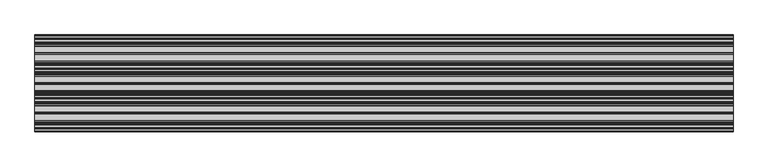
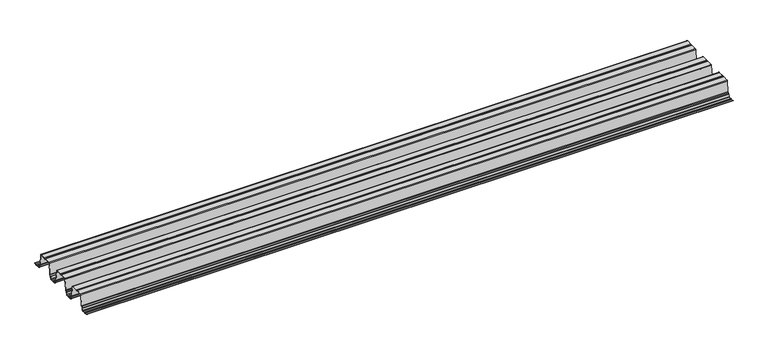
"""IFC4 building model written with IfcOpenShell, lengths in millimetres: proxy geometry."""

from ifc_helpers import new_model, si_unit, point, frame, frame_2d, origin, place, context, project, spatial, polyline, circle_curve, trimmed, segment, composite_curve, outline, extrude, source, transform, mapped, element, save


def generic_models_8106108e(model_context):
    return source(origin(), model_context, "Body", "SweptSolid", [
        extrude(outline(composite_curve([segment(trimmed(circle_curve(frame_2d((324.6441913, 113.8058949)), 3.6361245), [point((321.3795042, 112.204889))], [point((327.9088783, 112.204889))], True, "CARTESIAN"), True, "CONTINUOUS"), segment(trimmed(circle_curve(frame_2d((330.4708747, 110.9484833)), 2.8534857), [point((327.9088783, 112.204889))], [point((330.4708747, 113.801969))], False, "CARTESIAN"), True, "CONTINUOUS"), segment(polyline([(330.4708747, 113.801969), (373.4492703, 113.801969)]), True, "CONTINUOUS"), segment(trimmed(circle_curve(frame_2d((373.4492703, 109.0613218)), 4.7406472), [point((373.4492703, 113.801969))], [point((378.1008152, 109.9761257))], False, "CARTESIAN"), True, "CONTINUOUS"), segment(polyline([(378.1008152, 109.9761257), (386.0015759, 30.7769056)]), True, "CONTINUOUS"), segment(trimmed(circle_curve(frame_2d((391.2153598, 31.2970226)), 5.2396627), [point((386.0015759, 30.7769056))], [point((387.7190783, 27.394449))], True, "CARTESIAN"), True, "CONTINUOUS"), segment(polyline([(387.7190783, 27.394449), (394.9225297, 20.9409399)]), True, "CONTINUOUS"), segment(trimmed(circle_curve(frame_2d((391.7592274, 17.41004)), 4.7406472), [point((394.9225297, 20.9409399))], [point((396.4111087, 18.3231312))], False, "CARTESIAN"), True, "CONTINUOUS"), segment(polyline([(396.4111087, 18.3231312), (399.2223324, 5.0268078)]), True, "CONTINUOUS"), segment(trimmed(circle_curve(frame_2d((404.3631679, 6.0396627)), 5.2396627), [point((399.2223324, 5.0268078))], [point((404.3631679, 0.8))], True, "CARTESIAN"), True, "CONTINUOUS"), segment(polyline([(404.3631679, 0.8), (418.2385012, 0.8)]), True, "CONTINUOUS"), segment(trimmed(circle_curve(frame_2d((418.2385012, 3.6534857)), 2.8534857), [point((418.2385012, 0.8))], [point((420.8004976, 2.39708))], True, "CARTESIAN"), True, "CONTINUOUS"), segment(trimmed(circle_curve(frame_2d((424.0651846, 0.7960741)), 3.6361245), [point((420.8004976, 2.39708))], [point((427.4480898, 2.1292486))], False, "CARTESIAN"), True, "CONTINUOUS"), segment(trimmed(circle_curve(frame_2d((429.4296465, 2.9101634)), 2.1298815), [point((427.4480898, 2.1292486))], [point((429.1405005, 0.8))], True, "CARTESIAN"), True, "CONTINUOUS"), segment(polyline([(429.1405005, 0.8), (445.0579936, 0.8)]), True, "CONTINUOUS"), segment(trimmed(circle_curve(frame_2d((445.0579936, 6.0396627)), 5.2396627), [point((445.0579936, 0.8))], [point((450.1991748, 5.0285637))], True, "CARTESIAN"), True, "CONTINUOUS"), segment(polyline([(450.1991748, 5.0285637), (453.0103893, 19.3228748)]), True, "CONTINUOUS"), segment(trimmed(circle_curve(frame_2d((457.6619342, 18.408071)), 4.7406472), [point((453.0103893, 19.3228748))], [point((454.4986319, 21.9389709))], False, "CARTESIAN"), True, "CONTINUOUS"), segment(polyline([(454.4986319, 21.9389709), (461.7020833, 28.39248)]), True, "CONTINUOUS"), segment(trimmed(circle_curve(frame_2d((458.2058017, 32.2950536)), 5.2396627), [point((461.7020833, 28.39248))], [point((463.4195857, 31.7749366))], True, "CARTESIAN"), True, "CONTINUOUS"), segment(polyline([(463.4195857, 31.7749366), (471.3203464, 110.9741566)]), True, "CONTINUOUS"), segment(trimmed(circle_curve(frame_2d((475.9718912, 110.0593528)), 4.7406472), [point((471.3203464, 110.9741566))], [point((475.9718912, 114.8))], False, "CARTESIAN"), True, "CONTINUOUS"), segment(polyline([(475.9718912, 114.8), (519.1233624, 114.8)]), True, "CONTINUOUS"), segment(trimmed(circle_curve(frame_2d((519.4125084, 112.6898366)), 2.1298815), [point((519.1233624, 114.8))], [point((521.3940652, 113.4707514))], False, "CARTESIAN"), True, "CONTINUOUS"), segment(trimmed(circle_curve(frame_2d((524.7769703, 114.8039259)), 3.6361245), [point((521.3940652, 113.4707514))], [point((528.0416574, 113.20292))], True, "CARTESIAN"), True, "CONTINUOUS"), segment(trimmed(circle_curve(frame_2d((530.6036537, 111.9465143)), 2.8534857), [point((528.0416574, 113.20292))], [point((530.6036537, 114.8))], False, "CARTESIAN"), True, "CONTINUOUS"), segment(polyline([(530.6036537, 114.8), (573.289288, 114.8)]), True, "CONTINUOUS"), segment(trimmed(circle_curve(frame_2d((573.289288, 110.0593528)), 4.7406472), [point((573.289288, 114.8))], [point((577.9408329, 110.9741566))], False, "CARTESIAN"), True, "CONTINUOUS"), segment(polyline([(577.9408329, 110.9741566), (585.8415936, 31.7749366)]), True, "CONTINUOUS"), segment(trimmed(circle_curve(frame_2d((591.0553775, 32.2950536)), 5.2396627), [point((585.8415936, 31.7749366))], [point((587.559096, 28.39248))], True, "CARTESIAN"), True, "CONTINUOUS"), segment(polyline([(587.559096, 28.39248), (594.7625474, 21.9389709)]), True, "CONTINUOUS"), segment(trimmed(circle_curve(frame_2d((591.5992451, 18.408071)), 4.7406472), [point((594.7625474, 21.9389709))], [point((596.25079, 19.3228748))], False, "CARTESIAN"), True, "CONTINUOUS"), segment(polyline([(596.25079, 19.3228748), (599.0620045, 5.0285637)]), True, "CONTINUOUS"), segment(trimmed(circle_curve(frame_2d((604.2031856, 6.0396627)), 5.2396627), [point((599.0620045, 5.0285637))], [point((604.2031856, 0.8))], True, "CARTESIAN"), True, "CONTINUOUS"), segment(polyline([(604.2031856, 0.8), (620.1206788, 0.8)]), True, "CONTINUOUS"), segment(trimmed(circle_curve(frame_2d((619.8315328, 2.9101634)), 2.1298815), [point((620.1206788, 0.8))], [point((621.8130895, 2.1292486))], True, "CARTESIAN"), True, "CONTINUOUS"), segment(trimmed(circle_curve(frame_2d((625.1959947, 0.7960741)), 3.6361245), [point((621.8130895, 2.1292486))], [point((628.5788998, 2.1292486))], False, "CARTESIAN"), True, "CONTINUOUS"), segment(trimmed(circle_curve(frame_2d((630.5604565, 2.9101634)), 2.1298815), [point((628.5788998, 2.1292486))], [point((630.2713105, 0.8))], True, "CARTESIAN"), True, "CONTINUOUS"), segment(polyline([(630.2713105, 0.8), (644.1927417, 0.8)]), True, "CONTINUOUS"), segment(trimmed(circle_curve(frame_2d((644.1927417, 6.0396627)), 5.2396627), [point((644.1927417, 0.8))], [point((649.2883825, 4.8196179))], True, "CARTESIAN"), True, "CONTINUOUS"), segment(polyline([(649.2883825, 4.8196179), (650.0663931, 4.6333395)]), True, "CONTINUOUS"), segment(trimmed(circle_curve(frame_2d((644.1927417, 6.0396627)), 6.0396627), [point((650.0663931, 4.6333395))], [point((644.1927417, 0.0))], False, "CARTESIAN"), True, "CONTINUOUS"), segment(polyline([(644.1927417, 0.0), (630.2211126, 0.0)]), True, "CONTINUOUS"), segment(trimmed(circle_curve(frame_2d((630.5604565, 2.9101634)), 2.9298815), [point((630.2211126, 0.0))], [point((627.8346117, 1.8359309))], False, "CARTESIAN"), True, "CONTINUOUS"), segment(trimmed(circle_curve(frame_2d((625.1959947, 0.7960741)), 2.8361245), [point((627.8346117, 1.8359309))], [point((622.5573776, 1.8359309))], True, "CARTESIAN"), True, "CONTINUOUS"), segment(trimmed(circle_curve(frame_2d((619.8315328, 2.9101634)), 2.9298815), [point((622.5573776, 1.8359309))], [point((620.1708767, 0.0))], False, "CARTESIAN"), True, "CONTINUOUS"), segment(polyline([(620.1708767, 0.0), (604.2031856, 0.0)]), True, "CONTINUOUS"), segment(trimmed(circle_curve(frame_2d((604.2031856, 6.0396627)), 6.0396627), [point((604.2031856, 0.0))], [point((598.2770408, 4.8741875))], False, "CARTESIAN"), True, "CONTINUOUS"), segment(polyline([(598.2770408, 4.8741875), (595.4658263, 19.1684986)]), True, "CONTINUOUS"), segment(trimmed(circle_curve(frame_2d((591.5992451, 18.408071)), 3.9406472), [point((595.4658263, 19.1684986))], [point((594.2287296, 21.3431197))], True, "CARTESIAN"), True, "CONTINUOUS"), segment(polyline([(594.2287296, 21.3431197), (587.0252782, 27.7966289)]), True, "CONTINUOUS"), segment(trimmed(circle_curve(frame_2d((591.0553775, 32.2950536)), 6.0396627), [point((587.0252782, 27.7966289))], [point((585.0455448, 31.6955243))], False, "CARTESIAN"), True, "CONTINUOUS"), segment(polyline([(585.0455448, 31.6955243), (577.1487237, 110.8552525)]), True, "CONTINUOUS"), segment(trimmed(circle_curve(frame_2d((573.289288, 110.0593528)), 3.9406472), [point((577.1487237, 110.8552525))], [point((573.289288, 114.0))], True, "CARTESIAN"), True, "CONTINUOUS"), segment(polyline([(573.289288, 114.0), (530.6036537, 114.0)]), True, "CONTINUOUS"), segment(trimmed(circle_curve(frame_2d((530.6036537, 111.9465143)), 2.0534857), [point((530.6036537, 114.0))], [point((528.7599357, 112.8506755))], True, "CARTESIAN"), True, "CONTINUOUS"), segment(trimmed(circle_curve(frame_2d((524.7769703, 114.8039259)), 4.4361245), [point((528.7599357, 112.8506755))], [point((520.6497771, 113.1774338))], False, "CARTESIAN"), True, "CONTINUOUS"), segment(trimmed(circle_curve(frame_2d((519.4125084, 112.6898366)), 1.3298815), [point((520.6497771, 113.1774338))], [point((519.1843494, 114.0))], True, "CARTESIAN"), True, "CONTINUOUS"), segment(polyline([(519.1843494, 114.0), (475.9718912, 114.0)]), True, "CONTINUOUS"), segment(trimmed(circle_curve(frame_2d((475.9718912, 110.0593528)), 3.9406472), [point((475.9718912, 114.0))], [point((472.1124555, 110.8552525))], True, "CARTESIAN"), True, "CONTINUOUS"), segment(polyline([(472.1124555, 110.8552525), (464.2156345, 31.6955243)]), True, "CONTINUOUS"), segment(trimmed(circle_curve(frame_2d((458.2058017, 32.2950536)), 6.0396627), [point((464.2156345, 31.6955243))], [point((462.2359011, 27.7966289))], False, "CARTESIAN"), True, "CONTINUOUS"), segment(polyline([(462.2359011, 27.7966289), (455.0324497, 21.3431197)]), True, "CONTINUOUS"), segment(trimmed(circle_curve(frame_2d((457.6619342, 18.408071)), 3.9406472), [point((455.0324497, 21.3431197))], [point((453.795353, 19.1684986))], True, "CARTESIAN"), True, "CONTINUOUS"), segment(polyline([(453.795353, 19.1684986), (450.9841385, 4.8741875)]), True, "CONTINUOUS"), segment(trimmed(circle_curve(frame_2d((445.0579936, 6.0396627)), 6.0396627), [point((450.9841385, 4.8741875))], [point((445.0579936, 0.0))], False, "CARTESIAN"), True, "CONTINUOUS"), segment(polyline([(445.0579936, 0.0), (429.0903025, 0.0)]), True, "CONTINUOUS"), segment(trimmed(circle_curve(frame_2d((429.4296465, 2.9101634)), 2.9298815), [point((429.0903025, 0.0))], [point((426.7038017, 1.8359309))], False, "CARTESIAN"), True, "CONTINUOUS"), segment(trimmed(circle_curve(frame_2d((424.0651846, 0.7960741)), 2.8361245), [point((426.7038017, 1.8359309))], [point((421.518776, 2.0448356))], True, "CARTESIAN"), True, "CONTINUOUS"), segment(trimmed(circle_curve(frame_2d((418.2385012, 3.6534857)), 3.6534857), [point((421.518776, 2.0448356))], [point((418.2385012, 0.0))], False, "CARTESIAN"), True, "CONTINUOUS"), segment(polyline([(418.2385012, 0.0), (404.3631679, 0.0)]), True, "CONTINUOUS"), segment(trimmed(circle_curve(frame_2d((404.3631679, 6.0396627)), 6.0396627), [point((404.3631679, 0.0))], [point((398.4385315, 4.8665436))], False, "CARTESIAN"), True, "CONTINUOUS"), segment(polyline([(398.4385315, 4.8665436), (395.6271529, 18.1635996)]), True, "CONTINUOUS"), segment(trimmed(circle_curve(frame_2d((391.7592274, 17.41004)), 3.9406472), [point((395.6271529, 18.1635996))], [point((394.3887119, 20.3450888))], True, "CARTESIAN"), True, "CONTINUOUS"), segment(polyline([(394.3887119, 20.3450888), (387.1852605, 26.7985979)]), True, "CONTINUOUS"), segment(trimmed(circle_curve(frame_2d((391.2153598, 31.2970226)), 6.0396627), [point((387.1852605, 26.7985979))], [point((385.2055271, 30.6974933))], False, "CARTESIAN"), True, "CONTINUOUS"), segment(polyline([(385.2055271, 30.6974933), (377.308706, 109.8572215)]), True, "CONTINUOUS"), segment(trimmed(circle_curve(frame_2d((373.4492703, 109.0613218)), 3.9406472), [point((377.308706, 109.8572215))], [point((373.4492703, 113.001969))], True, "CARTESIAN"), True, "CONTINUOUS"), segment(polyline([(373.4492703, 113.001969), (330.4708747, 113.001969)]), True, "CONTINUOUS"), segment(trimmed(circle_curve(frame_2d((330.4708747, 110.9484833)), 2.0534857), [point((330.4708747, 113.001969))], [point((328.6271567, 111.8526445))], True, "CARTESIAN"), True, "CONTINUOUS"), segment(trimmed(circle_curve(frame_2d((324.6441913, 113.8058949)), 4.4361245), [point((328.6271567, 111.8526445))], [point((320.6612258, 111.8526445))], False, "CARTESIAN"), True, "CONTINUOUS"), segment(trimmed(circle_curve(frame_2d((318.8175079, 110.9484833)), 2.0534857), [point((320.6612258, 111.8526445))], [point((318.8175079, 113.001969))], True, "CARTESIAN"), True, "CONTINUOUS"), segment(polyline([(318.8175079, 113.001969), (275.8391122, 113.001969)]), True, "CONTINUOUS"), segment(trimmed(circle_curve(frame_2d((275.8391122, 109.0613218)), 3.9406472), [point((275.8391122, 113.001969))], [point((271.9796765, 109.8572215))], True, "CARTESIAN"), True, "CONTINUOUS"), segment(polyline([(271.9796765, 109.8572215), (264.0828555, 30.6974933)]), True, "CONTINUOUS"), segment(trimmed(circle_curve(frame_2d((258.0730227, 31.2970226)), 6.0396627), [point((264.0828555, 30.6974933))], [point((262.103122, 26.7985979))], False, "CARTESIAN"), True, "CONTINUOUS"), segment(polyline([(262.103122, 26.7985979), (254.8996706, 20.3450888)]), True, "CONTINUOUS"), segment(trimmed(circle_curve(frame_2d((257.5291552, 17.41004)), 3.9406472), [point((254.8996706, 20.3450888))], [point((253.6612296, 18.1635996))], True, "CARTESIAN"), True, "CONTINUOUS"), segment(polyline([(253.6612296, 18.1635996), (250.849851, 4.8665436)]), True, "CONTINUOUS"), segment(trimmed(circle_curve(frame_2d((244.9252146, 6.0396627)), 6.0396627), [point((250.849851, 4.8665436))], [point((244.9252146, 0.0))], False, "CARTESIAN"), True, "CONTINUOUS"), segment(polyline([(244.9252146, 0.0), (231.0498813, 0.0)]), True, "CONTINUOUS"), segment(trimmed(circle_curve(frame_2d((231.0498813, 3.6534857)), 3.6534857), [point((231.0498813, 0.0))], [point((227.7696066, 2.0448356))], False, "CARTESIAN"), True, "CONTINUOUS"), segment(trimmed(circle_curve(frame_2d((225.2231979, 0.7960741)), 2.8361245), [point((227.7696066, 2.0448356))], [point((222.5845808, 1.8359309))], True, "CARTESIAN"), True, "CONTINUOUS"), segment(trimmed(circle_curve(frame_2d((219.858736, 2.9101634)), 2.9298815), [point((222.5845808, 1.8359309))], [point((220.19808, 0.0))], False, "CARTESIAN"), True, "CONTINUOUS"), segment(polyline([(220.19808, 0.0), (204.2303889, 0.0)]), True, "CONTINUOUS"), segment(trimmed(circle_curve(frame_2d((204.2303889, 6.0396627)), 6.0396627), [point((204.2303889, 0.0))], [point((198.304244, 4.8741875))], False, "CARTESIAN"), True, "CONTINUOUS"), segment(polyline([(198.304244, 4.8741875), (195.4930295, 19.1684986)]), True, "CONTINUOUS"), segment(trimmed(circle_curve(frame_2d((191.6264483, 18.408071)), 3.9406472), [point((195.4930295, 19.1684986))], [point((194.2559329, 21.3431197))], True, "CARTESIAN"), True, "CONTINUOUS"), segment(polyline([(194.2559329, 21.3431197), (187.0524815, 27.7966289)]), True, "CONTINUOUS"), segment(trimmed(circle_curve(frame_2d((191.0825808, 32.2950536)), 6.0396627), [point((187.0524815, 27.7966289))], [point((185.072748, 31.6955243))], False, "CARTESIAN"), True, "CONTINUOUS"), segment(polyline([(185.072748, 31.6955243), (177.175927, 110.8552525)]), True, "CONTINUOUS"), segment(trimmed(circle_curve(frame_2d((173.3164913, 110.0593528)), 3.9406472), [point((177.175927, 110.8552525))], [point((173.3164913, 114.0))], True, "CARTESIAN"), True, "CONTINUOUS"), segment(polyline([(173.3164913, 114.0), (130.1040332, 114.0)]), True, "CONTINUOUS"), segment(trimmed(circle_curve(frame_2d((129.8758741, 112.6898366)), 1.3298815), [point((130.1040332, 114.0))], [point((128.6386055, 113.1774338))], True, "CARTESIAN"), True, "CONTINUOUS"), segment(trimmed(circle_curve(frame_2d((124.5114122, 114.8039259)), 4.4361245), [point((128.6386055, 113.1774338))], [point((120.5284468, 112.8506755))], False, "CARTESIAN"), True, "CONTINUOUS"), segment(trimmed(circle_curve(frame_2d((118.6847288, 111.9465143)), 2.0534857), [point((120.5284468, 112.8506755))], [point((118.6847288, 114.0))], True, "CARTESIAN"), True, "CONTINUOUS"), segment(polyline([(118.6847288, 114.0), (75.9990945, 114.0)]), True, "CONTINUOUS"), segment(trimmed(circle_curve(frame_2d((75.9990945, 110.0593528)), 3.9406472), [point((75.9990945, 114.0))], [point((72.1396588, 110.8552525))], True, "CARTESIAN"), True, "CONTINUOUS"), segment(polyline([(72.1396588, 110.8552525), (64.2428378, 31.6955243)]), True, "CONTINUOUS"), segment(trimmed(circle_curve(frame_2d((58.233005, 32.2950536)), 6.0396627), [point((64.2428378, 31.6955243))], [point((62.2631043, 27.7966289))], False, "CARTESIAN"), True, "CONTINUOUS"), segment(polyline([(62.2631043, 27.7966289), (55.0596529, 21.3431197)]), True, "CONTINUOUS"), segment(trimmed(circle_curve(frame_2d((57.6891375, 18.408071)), 3.9406472), [point((55.0596529, 21.3431197))], [point((53.8225563, 19.1684986))], True, "CARTESIAN"), True, "CONTINUOUS"), segment(polyline([(53.8225563, 19.1684986), (51.0113418, 4.8741875)]), True, "CONTINUOUS"), segment(trimmed(circle_curve(frame_2d((45.0851969, 6.0396627)), 6.0396627), [point((51.0113418, 4.8741875))], [point((45.0851969, 0.0))], False, "CARTESIAN"), True, "CONTINUOUS"), segment(polyline([(45.0851969, 0.0), (29.1175058, 0.0)]), True, "CONTINUOUS"), segment(trimmed(circle_curve(frame_2d((29.4568498, 2.9101634)), 2.9298815), [point((29.1175058, 0.0))], [point((26.731005, 1.8359309))], False, "CARTESIAN"), True, "CONTINUOUS"), segment(trimmed(circle_curve(frame_2d((24.0923879, 0.7960741)), 2.8361245), [point((26.731005, 1.8359309))], [point((21.4537708, 1.8359309))], True, "CARTESIAN"), True, "CONTINUOUS"), segment(trimmed(circle_curve(frame_2d((18.727926, 2.9101634)), 2.9298815), [point((21.4537708, 1.8359309))], [point((19.06727, 0.0))], False, "CARTESIAN"), True, "CONTINUOUS"), segment(polyline([(19.06727, 0.0), (5.0956409, 0.0)]), True, "CONTINUOUS"), segment(trimmed(circle_curve(frame_2d((5.0956409, 6.0396627)), 6.0396627), [point((5.0956409, 0.0))], [point((-0.7780105, 4.6333395))], False, "CARTESIAN"), True, "CONTINUOUS"), segment(polyline([(-0.7780105, 4.6333395), (0.0, 4.8196179)]), True, "CONTINUOUS"), segment(trimmed(circle_curve(frame_2d((5.0956409, 6.0396627)), 5.2396627), [point((0.0, 4.8196179))], [point((5.0956409, 0.8))], True, "CARTESIAN"), True, "CONTINUOUS"), segment(polyline([(5.0956409, 0.8), (19.0170721, 0.8)]), True, "CONTINUOUS"), segment(trimmed(circle_curve(frame_2d((18.727926, 2.9101634)), 2.1298815), [point((19.0170721, 0.8))], [point((20.7094827, 2.1292486))], True, "CARTESIAN"), True, "CONTINUOUS"), segment(trimmed(circle_curve(frame_2d((24.0923879, 0.7960741)), 3.6361245), [point((20.7094827, 2.1292486))], [point((27.475293, 2.1292486))], False, "CARTESIAN"), True, "CONTINUOUS"), segment(trimmed(circle_curve(frame_2d((29.4568498, 2.9101634)), 2.1298815), [point((27.475293, 2.1292486))], [point((29.1677037, 0.8))], True, "CARTESIAN"), True, "CONTINUOUS"), segment(polyline([(29.1677037, 0.8), (45.0851969, 0.8)]), True, "CONTINUOUS"), segment(trimmed(circle_curve(frame_2d((45.0851969, 6.0396627)), 5.2396627), [point((45.0851969, 0.8))], [point((50.2263781, 5.0285637))], True, "CARTESIAN"), True, "CONTINUOUS"), segment(polyline([(50.2263781, 5.0285637), (53.0375926, 19.3228748)]), True, "CONTINUOUS"), segment(trimmed(circle_curve(frame_2d((57.6891375, 18.408071)), 4.7406472), [point((53.0375926, 19.3228748))], [point((54.5258351, 21.9389709))], False, "CARTESIAN"), True, "CONTINUOUS"), segment(polyline([(54.5258351, 21.9389709), (61.7292865, 28.39248)]), True, "CONTINUOUS"), segment(trimmed(circle_curve(frame_2d((58.233005, 32.2950536)), 5.2396627), [point((61.7292865, 28.39248))], [point((63.446789, 31.7749366))], True, "CARTESIAN"), True, "CONTINUOUS"), segment(polyline([(63.446789, 31.7749366), (71.3475496, 110.9741566)]), True, "CONTINUOUS"), segment(trimmed(circle_curve(frame_2d((75.9990945, 110.0593528)), 4.7406472), [point((71.3475496, 110.9741566))], [point((75.9990945, 114.8))], False, "CARTESIAN"), True, "CONTINUOUS"), segment(polyline([(75.9990945, 114.8), (118.6847288, 114.8)]), True, "CONTINUOUS"), segment(trimmed(circle_curve(frame_2d((118.6847288, 111.9465143)), 2.8534857), [point((118.6847288, 114.8))], [point((121.2467252, 113.20292))], False, "CARTESIAN"), True, "CONTINUOUS"), segment(trimmed(circle_curve(frame_2d((124.5114122, 114.8039259)), 3.6361245), [point((121.2467252, 113.20292))], [point((127.8943174, 113.4707514))], True, "CARTESIAN"), True, "CONTINUOUS"), segment(trimmed(circle_curve(frame_2d((129.8758741, 112.6898366)), 2.1298815), [point((127.8943174, 113.4707514))], [point((130.1650202, 114.8))], False, "CARTESIAN"), True, "CONTINUOUS"), segment(polyline([(130.1650202, 114.8), (173.3164913, 114.8)]), True, "CONTINUOUS"), segment(trimmed(circle_curve(frame_2d((173.3164913, 110.0593528)), 4.7406472), [point((173.3164913, 114.8))], [point((177.9680362, 110.9741566))], False, "CARTESIAN"), True, "CONTINUOUS"), segment(polyline([(177.9680362, 110.9741566), (185.8687968, 31.7749366)]), True, "CONTINUOUS"), segment(trimmed(circle_curve(frame_2d((191.0825808, 32.2950536)), 5.2396627), [point((185.8687968, 31.7749366))], [point((187.5862993, 28.39248))], True, "CARTESIAN"), True, "CONTINUOUS"), segment(polyline([(187.5862993, 28.39248), (194.7897507, 21.9389709)]), True, "CONTINUOUS"), segment(trimmed(circle_curve(frame_2d((191.6264483, 18.408071)), 4.7406472), [point((194.7897507, 21.9389709))], [point((196.2779932, 19.3228748))], False, "CARTESIAN"), True, "CONTINUOUS"), segment(polyline([(196.2779932, 19.3228748), (199.0892077, 5.0285637)]), True, "CONTINUOUS"), segment(trimmed(circle_curve(frame_2d((204.2303889, 6.0396627)), 5.2396627), [point((199.0892077, 5.0285637))], [point((204.2303889, 0.8))], True, "CARTESIAN"), True, "CONTINUOUS"), segment(polyline([(204.2303889, 0.8), (220.1478821, 0.8)]), True, "CONTINUOUS"), segment(trimmed(circle_curve(frame_2d((219.858736, 2.9101634)), 2.1298815), [point((220.1478821, 0.8))], [point((221.8402928, 2.1292486))], True, "CARTESIAN"), True, "CONTINUOUS"), segment(trimmed(circle_curve(frame_2d((225.2231979, 0.7960741)), 3.6361245), [point((221.8402928, 2.1292486))], [point((228.487885, 2.39708))], False, "CARTESIAN"), True, "CONTINUOUS"), segment(trimmed(circle_curve(frame_2d((231.0498813, 3.6534857)), 2.8534857), [point((228.487885, 2.39708))], [point((231.0498813, 0.8))], True, "CARTESIAN"), True, "CONTINUOUS"), segment(polyline([(231.0498813, 0.8), (244.9252146, 0.8)]), True, "CONTINUOUS"), segment(trimmed(circle_curve(frame_2d((244.9252146, 6.0396627)), 5.2396627), [point((244.9252146, 0.8))], [point((250.0660501, 5.0268078))], True, "CARTESIAN"), True, "CONTINUOUS"), segment(polyline([(250.0660501, 5.0268078), (252.8772738, 18.3231312)]), True, "CONTINUOUS"), segment(trimmed(circle_curve(frame_2d((257.5291552, 17.41004)), 4.7406472), [point((252.8772738, 18.3231312))], [point((254.3658528, 20.9409399))], False, "CARTESIAN"), True, "CONTINUOUS"), segment(polyline([(254.3658528, 20.9409399), (261.5693042, 27.394449)]), True, "CONTINUOUS"), segment(trimmed(circle_curve(frame_2d((258.0730227, 31.2970226)), 5.2396627), [point((261.5693042, 27.394449))], [point((263.2868067, 30.7769056))], True, "CARTESIAN"), True, "CONTINUOUS"), segment(polyline([(263.2868067, 30.7769056), (271.1875673, 109.9761257)]), True, "CONTINUOUS"), segment(trimmed(circle_curve(frame_2d((275.8391122, 109.0613218)), 4.7406472), [point((271.1875673, 109.9761257))], [point((275.8391122, 113.801969))], False, "CARTESIAN"), True, "CONTINUOUS"), segment(polyline([(275.8391122, 113.801969), (318.8175079, 113.801969)]), True, "CONTINUOUS"), segment(trimmed(circle_curve(frame_2d((318.8175079, 110.9484833)), 2.8534857), [point((318.8175079, 113.801969))], [point((321.3795042, 112.204889))], False, "CARTESIAN"), True, "CONTINUOUS")], self_intersect=False)), frame((0.0, 0.0, 0.0), z_axis=(1.0, 0.0, 0.0), x_axis=(0.0, 1.0, 0.0)), (0.0, 0.0, 1.0), 4700.0),
    ])


if __name__ == "__main__":
    model = new_model("IFC4")
    model_context = context("Model", 3, world=origin())
    ifc_project = project(units=[si_unit("LENGTHUNIT", "METRE", prefix="MILLI")], contexts=[model_context])
    site = spatial("IfcSite", under=ifc_project)
    building = spatial("IfcBuilding", under=site)
    placement = place(None, origin())
    generic_models_shape = generic_models_8106108e(model_context)
    element("IfcBuildingElementProxy", 1, Name="Generic Models", at=placement, inside=building, context=model_context, shape_type="MappedRepresentation", body=[
        mapped(generic_models_shape, transform((0.0, 0.0, 0.0), x_axis=(1.0, 0.0, 0.0), y_axis=(0.0, 1.0, 0.0), z_axis=(0.0, 0.0, 1.0))),
    ])
    save(model, "model.ifc")
